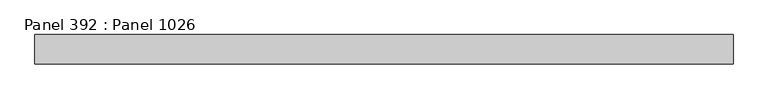
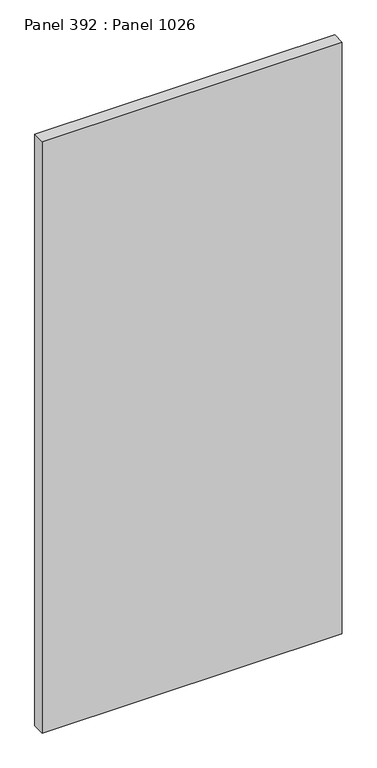
"""IFC4 building model written with IfcOpenShell, lengths in millimetres: proxy geometry, Panel 392 : Panel 1026."""

from ifc_helpers import new_model, si_unit, frame, origin, place, context, project, spatial, polyline, outline, extrude, source, transform, mapped, element, save


def panel_392_panel_1026_89eb9661(model_context):
    return source(origin(), model_context, "Body", "SweptSolid", [
        extrude(outline(polyline([(38167.4761116, 344155.7854447), (38167.476112, 344105.7854025), (36967.4761345, 344105.7854457), (36967.4761341, 344155.7854878), (38167.4761116, 344155.7854447)])), frame((0.0, 0.0, 34575.0), z_axis=(0.0, 0.0, 1.0), x_axis=(1.0, 0.0, 0.0)), (0.0, 0.0, 1.0), 2500.0),
    ])


if __name__ == "__main__":
    model = new_model("IFC4")
    model_context = context("Model", 3, world=origin())
    ifc_project = project(units=[si_unit("LENGTHUNIT", "METRE", prefix="MILLI")], contexts=[model_context])
    site = spatial("IfcSite", under=ifc_project)
    building = spatial("IfcBuilding", under=site)
    placement = place(None, origin())
    panel_392_panel_1026_shape = panel_392_panel_1026_89eb9661(model_context)
    element("IfcBuildingElementProxy", 1, Name="Panel 392 : Panel 1026", ObjectType="Panel 392 : Panel 1026", at=placement, inside=building, context=model_context, shape_type="MappedRepresentation", body=[
        mapped(panel_392_panel_1026_shape, transform((0.0, 0.0, 0.0), x_axis=(1.0, 0.0, 0.0), y_axis=(0.0, 1.0, 0.0), z_axis=(0.0, 0.0, 1.0))),
    ])
    save(model, "model.ifc")
